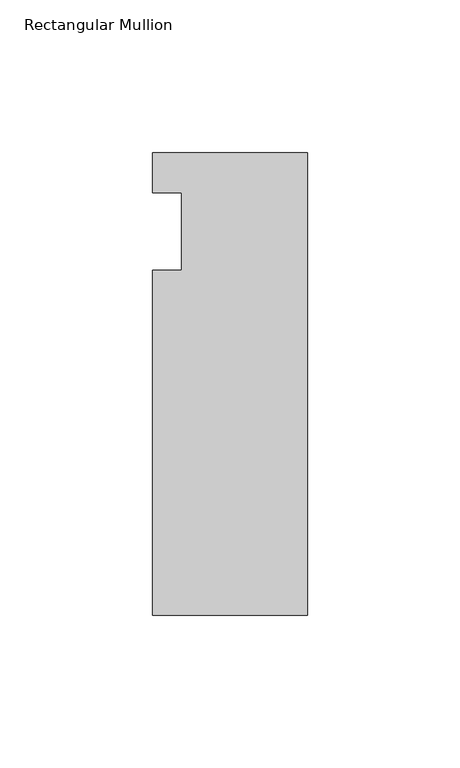
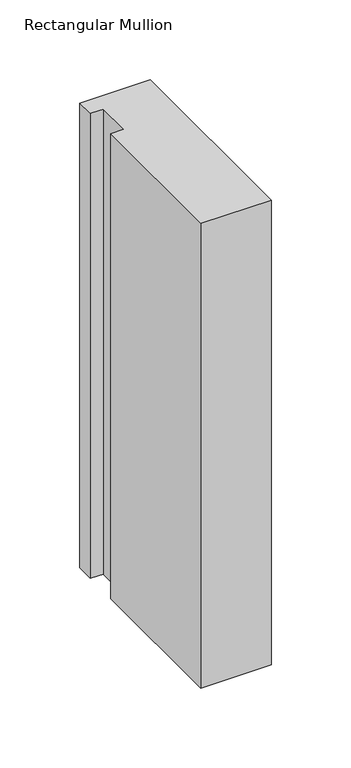
"""IFC4 building model written with IfcOpenShell, lengths in millimetres: member geometry, Rectangular Mullion."""

from ifc_helpers import new_model, si_unit, frame, origin, place, context, project, spatial, polyline, outline, extrude, source, transform, mapped, element, save


def rectangular_mullion_8b20cab4(model_context):
    return source(origin(), model_context, "Body", "SweptSolid", [
        extrude(outline(polyline([(-50.8, 25.7961253), (0.0, 25.7961253), (0.0, -125.8036906), (-50.8, -125.8036906), (-50.8, -12.7), (-41.275, -12.7), (-41.275, 12.7), (-50.8, 12.7), (-50.8, 25.7961253)])), frame((0.0, 0.0, -355.6), z_axis=(0.0, 0.0, 1.0), x_axis=(1.0, 0.0, 0.0)), (0.0, 0.0, 1.0), 355.6),
    ])


if __name__ == "__main__":
    model = new_model("IFC4")
    model_context = context("Model", 3, world=origin())
    ifc_project = project(units=[si_unit("LENGTHUNIT", "METRE", prefix="MILLI")], contexts=[model_context])
    site = spatial("IfcSite", under=ifc_project)
    building = spatial("IfcBuilding", under=site)
    placement = place(None, origin())
    rectangular_mullion_shape = rectangular_mullion_8b20cab4(model_context)
    element("IfcMember", 1, ObjectType="Rectangular Mullion", at=placement, inside=building, context=model_context, shape_type="MappedRepresentation", body=[
        mapped(rectangular_mullion_shape, transform((0.0, 0.0, 0.0), x_axis=(1.0, 0.0, 0.0), y_axis=(0.0, 1.0, 0.0), z_axis=(0.0, 0.0, 1.0))),
    ])
    save(model, "model.ifc")
